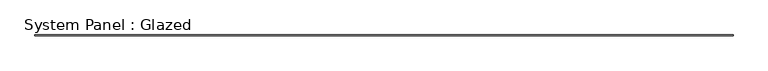
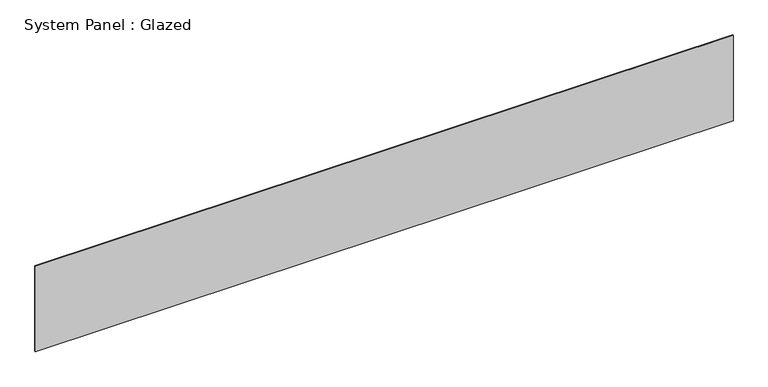
"""IFC4 building model written with IfcOpenShell, lengths in millimetres: plate geometry, System Panel : Glazed."""

from ifc_helpers import new_model, si_unit, origin, origin_with_axes, place, context, project, spatial, polyline, outline, extrude, source, transform, mapped, element, save


def system_panel_glazed_d1dcaab1(model_context):
    return source(origin(), model_context, "Body", "SweptSolid", [
        extrude(outline(polyline([(11602.3, 24.5), (-11602.3, 24.5), (-11602.3, 49.5), (11602.3, 49.5), (11602.3, 24.5)])), origin_with_axes(), (0.0, 0.0, 1.0), 3000.0),
    ])


if __name__ == "__main__":
    model = new_model("IFC4")
    model_context = context("Model", 3, world=origin())
    ifc_project = project(units=[si_unit("LENGTHUNIT", "METRE", prefix="MILLI")], contexts=[model_context])
    site = spatial("IfcSite", under=ifc_project)
    building = spatial("IfcBuilding", under=site)
    placement = place(None, origin())
    system_panel_glazed_shape = system_panel_glazed_d1dcaab1(model_context)
    element("IfcPlate", 1, ObjectType="System Panel : Glazed", at=placement, inside=building, context=model_context, shape_type="MappedRepresentation", body=[
        mapped(system_panel_glazed_shape, transform((0.0, 0.0, 0.0), x_axis=(1.0, 0.0, 0.0), y_axis=(0.0, 1.0, 0.0), z_axis=(0.0, 0.0, 1.0))),
    ])
    save(model, "model.ifc")
